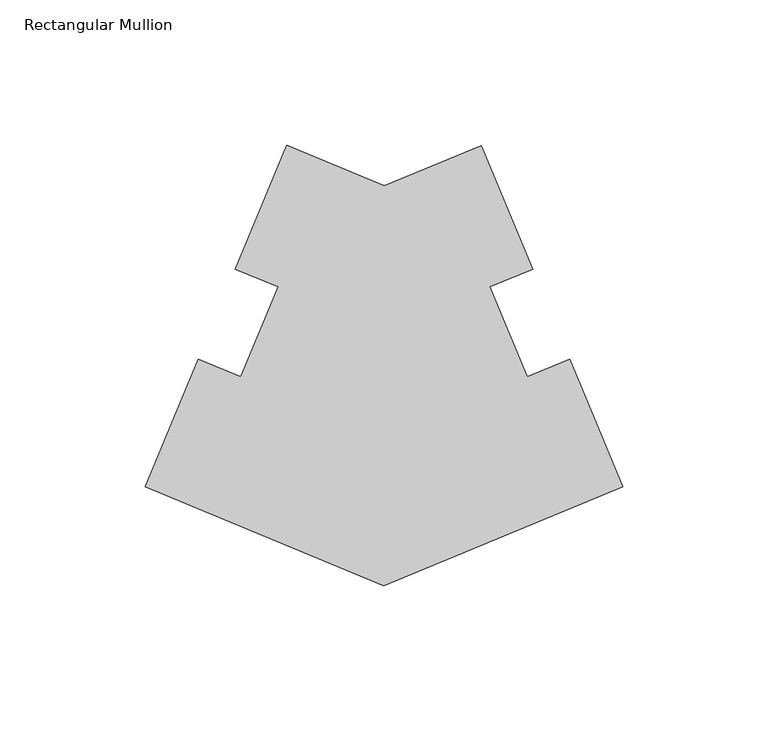
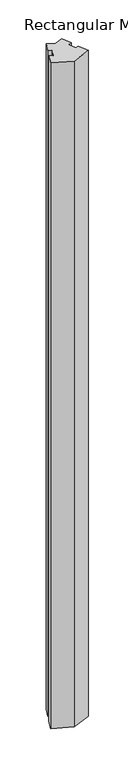
"""IFC4 building model written with IfcOpenShell, lengths in millimetres: member geometry, Rectangular Mullion."""

from ifc_helpers import new_model, si_unit, frame, origin, place, context, project, spatial, polyline, outline, extrude, source, transform, mapped, element, save


def rectangular_mullion_bb1dd6b4(model_context):
    return source(origin(), model_context, "Body", "SweptSolid", [
        extrude(outline(polyline([(-115.4178797, -40.4217282), (-81.9942217, -54.274243), (-48.5888374, -40.4452565), (-30.9503885, -83.0405178), (-45.6930745, -88.9318467), (-32.8270396, -120.0021591), (-18.1598327, -113.9285543), (0.0, -157.7829105), (-82.0222412, -191.7380496), (-164.0306333, -157.7494758), (-145.8689222, -113.915862), (-131.203573, -119.993951), (-118.3304519, -88.9244438), (-133.0719368, -83.0301099), (-115.4178797, -40.4217282)])), frame((0.0, 0.0, -3048.0), z_axis=(0.0, 0.0, 1.0), x_axis=(1.0, 0.0, 0.0)), (0.0, 0.0, 1.0), 3048.0),
    ])


if __name__ == "__main__":
    model = new_model("IFC4")
    model_context = context("Model", 3, world=origin())
    ifc_project = project(units=[si_unit("LENGTHUNIT", "METRE", prefix="MILLI")], contexts=[model_context])
    site = spatial("IfcSite", under=ifc_project)
    building = spatial("IfcBuilding", under=site)
    placement = place(None, origin())
    rectangular_mullion_shape = rectangular_mullion_bb1dd6b4(model_context)
    element("IfcMember", 1, ObjectType="Rectangular Mullion", at=placement, inside=building, context=model_context, shape_type="MappedRepresentation", body=[
        mapped(rectangular_mullion_shape, transform((0.0, 0.0, 0.0), x_axis=(1.0, 0.0, 0.0), y_axis=(0.0, 1.0, 0.0), z_axis=(0.0, 0.0, 1.0))),
    ])
    save(model, "model.ifc")
